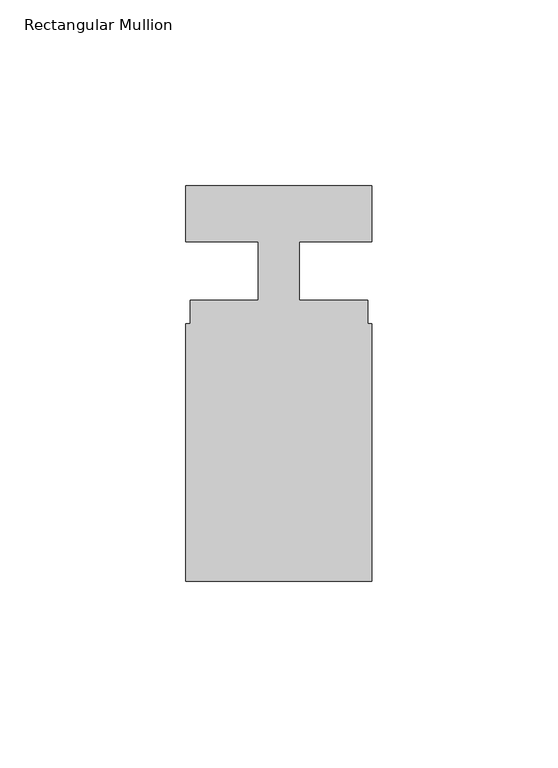
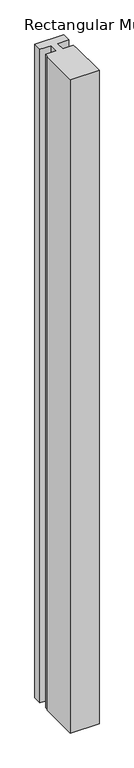
"""IFC4 building model written with IfcOpenShell, lengths in millimetres: member geometry, Rectangular Mullion."""

from ifc_helpers import new_model, si_unit, frame, origin, place, context, project, spatial, polyline, outline, extrude, source, transform, mapped, element, save


def rectangular_mullion_584d3fa0(model_context):
    return source(origin(), model_context, "Body", "SweptSolid", [
        extrude(outline(polyline([(25.0, -80.3), (-25.0, -80.3), (-25.0, -11.0), (-23.9, -11.0), (-23.9, -4.8), (-5.4999998, -4.8), (-5.4999998, 11.0), (-25.0, 11.0), (-25.0, 26.0), (25.0, 26.0), (25.0, 11.0), (5.5, 11.0), (5.5, -4.8), (23.9, -4.8), (23.9, -11.0), (25.0, -11.0), (25.0, -80.3)])), frame((0.0, 0.0, -1200.0), z_axis=(0.0, 0.0, 1.0), x_axis=(1.0, 0.0, 0.0)), (0.0, 0.0, 1.0), 1200.0),
    ])


if __name__ == "__main__":
    model = new_model("IFC4")
    model_context = context("Model", 3, world=origin())
    ifc_project = project(units=[si_unit("LENGTHUNIT", "METRE", prefix="MILLI")], contexts=[model_context])
    site = spatial("IfcSite", under=ifc_project)
    building = spatial("IfcBuilding", under=site)
    placement = place(None, origin())
    rectangular_mullion_shape = rectangular_mullion_584d3fa0(model_context)
    element("IfcMember", 1, ObjectType="Rectangular Mullion", at=placement, inside=building, context=model_context, shape_type="MappedRepresentation", body=[
        mapped(rectangular_mullion_shape, transform((0.0, 0.0, 0.0), x_axis=(1.0, 0.0, 0.0), y_axis=(0.0, 1.0, 0.0), z_axis=(0.0, 0.0, 1.0))),
    ])
    save(model, "model.ifc")
